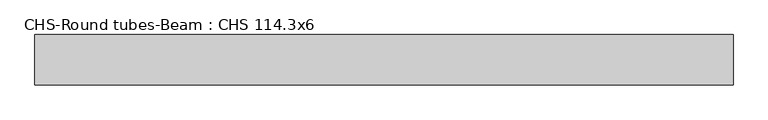
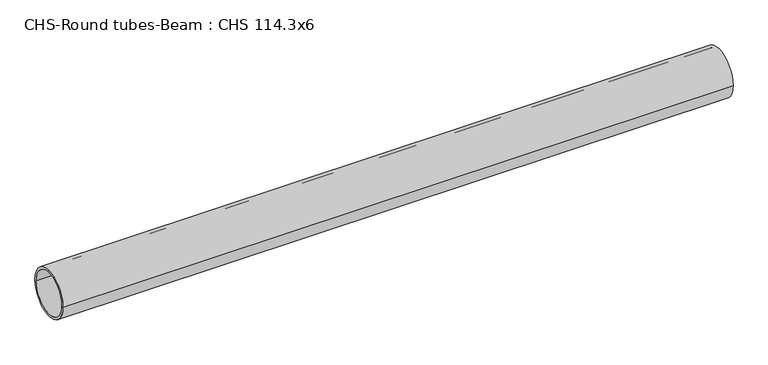
"""IFC4 building model written with IfcOpenShell, lengths in millimetres: beam geometry, CHS-Round tubes-Beam : CHS 114.3x6."""

from ifc_helpers import new_model, si_unit, point, frame, origin, origin_2d, place, context, project, spatial, circle_curve, trimmed, segment, composite_curve, outline, extrude, source, transform, mapped, element, save


def chs_round_tubes_beam_chs_114_3x6_6eece2ac(model_context):
    return source(origin(), model_context, "Body", "SweptSolid", [
        extrude(outline(composite_curve([segment(trimmed(circle_curve(origin_2d(), 57.15), [point((57.15, 0.0))], [point((-57.15, 0.0))], False, "CARTESIAN"), True, "CONTINUOUS"), segment(trimmed(circle_curve(origin_2d(), 57.15), [point((-57.15, 0.0))], [point((57.15, 0.0))], False, "CARTESIAN"), True, "CONTINUOUS")], self_intersect=False), holes=[composite_curve([segment(trimmed(circle_curve(origin_2d(), 51.15), [point((51.15, 0.0))], [point((-51.15, 0.0))], True, "CARTESIAN"), True, "CONTINUOUS"), segment(trimmed(circle_curve(origin_2d(), 51.15), [point((-51.15, 0.0))], [point((51.15, 0.0))], True, "CARTESIAN"), True, "CONTINUOUS")], self_intersect=False)]), frame((-784.3619844, 0.0, 0.0), z_axis=(1.0, 0.0, 0.0), x_axis=(0.0, 1.0, 0.0)), (0.0, 0.0, 1.0), 1581.0167956),
    ])


if __name__ == "__main__":
    model = new_model("IFC4")
    model_context = context("Model", 3, world=origin())
    ifc_project = project(units=[si_unit("LENGTHUNIT", "METRE", prefix="MILLI")], contexts=[model_context])
    site = spatial("IfcSite", under=ifc_project)
    building = spatial("IfcBuilding", under=site)
    placement = place(None, origin())
    chs_round_tubes_beam_chs_114_3x6_shape = chs_round_tubes_beam_chs_114_3x6_6eece2ac(model_context)
    element("IfcBeam", 1, ObjectType="CHS-Round tubes-Beam : CHS 114.3x6", at=placement, inside=building, context=model_context, shape_type="MappedRepresentation", body=[
        mapped(chs_round_tubes_beam_chs_114_3x6_shape, transform((0.0, 0.0, 0.0), x_axis=(1.0, 0.0, 0.0), y_axis=(0.0, 1.0, 0.0), z_axis=(0.0, 0.0, 1.0))),
    ])
    save(model, "model.ifc")
